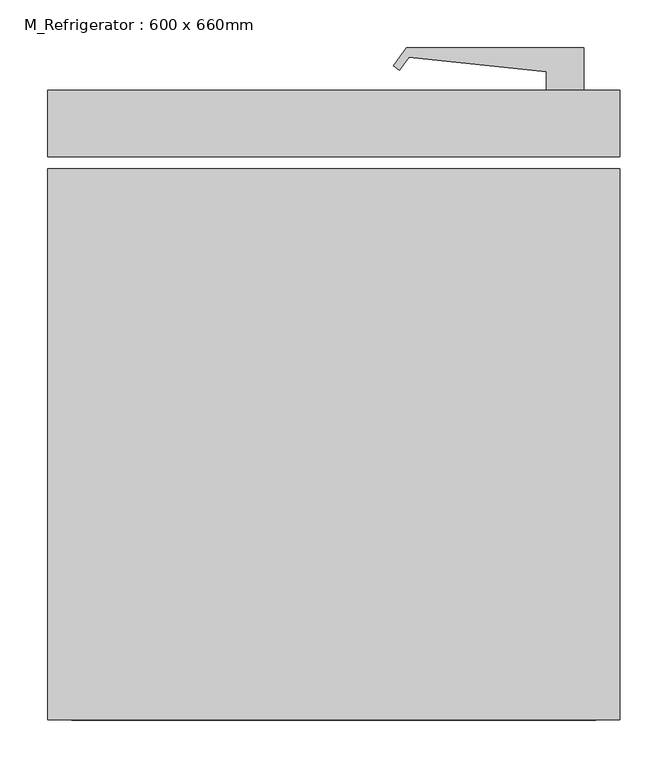
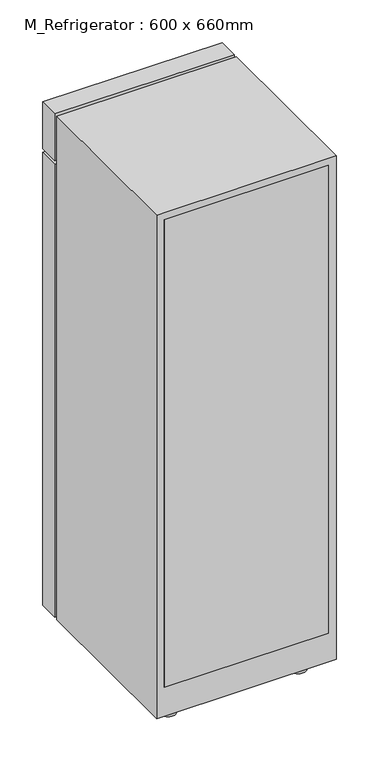
"""IFC4 building model written with IfcOpenShell, lengths in millimetres: proxy geometry, M_Refrigerator : 600 x 660mm."""

from ifc_helpers import new_model, si_unit, point, frame, frame_2d, origin, origin_with_axes, place, context, project, spatial, polyline, circle_curve, trimmed, segment, composite_curve, outline, extrude, source, transform, mapped, element, save


def m_refrigerator_600_x_660mm_0a899b9c(model_context):
    return source(origin(), model_context, "Body", "SweptSolid", [
        extrude(outline(polyline([(208.0988574, 408.1036861), (208.0988574, 363.7849098), (168.9242419, 363.7849098), (168.9242419, 383.0358618), (25.1756383, 398.2543926), (15.2273026, 384.7471068), (8.7240737, 389.5368406), (22.3988574, 408.1036861), (208.0988574, 408.1036861)])), frame((0.0, 0.0, 1071.927792), z_axis=(0.0, 0.0, 1.0), x_axis=(1.0, 0.0, 0.0)), (0.0, 0.0, 1.0), 31.75),
        extrude(outline(composite_curve([segment(trimmed(circle_curve(frame_2d((-271.2511426, -220.0150902)), 25.4), [point((-296.6511426, -220.0150902))], [point((-245.8511426, -220.0150902))], False, "CARTESIAN"), True, "CONTINUOUS"), segment(trimmed(circle_curve(frame_2d((-271.2511426, -220.0150902)), 25.4), [point((-245.8511426, -220.0150902))], [point((-296.6511426, -220.0150902))], False, "CARTESIAN"), True, "CONTINUOUS")], self_intersect=False)), origin_with_axes(), (0.0, 0.0, 1.0), 50.8),
        extrude(outline(composite_curve([segment(trimmed(circle_curve(frame_2d((163.6488574, -220.0150902)), 25.4), [point((138.2488574, -220.0150902))], [point((189.0488574, -220.0150902))], False, "CARTESIAN"), True, "CONTINUOUS"), segment(trimmed(circle_curve(frame_2d((163.6488574, -220.0150902)), 25.4), [point((189.0488574, -220.0150902))], [point((138.2488574, -220.0150902))], False, "CARTESIAN"), True, "CONTINUOUS")], self_intersect=False)), origin_with_axes(), (0.0, 0.0, 1.0), 50.8),
        extrude(outline(composite_curve([segment(trimmed(circle_curve(frame_2d((-271.2511426, 236.7849098)), 25.4), [point((-296.6511426, 236.7849098))], [point((-245.8511426, 236.7849098))], False, "CARTESIAN"), True, "CONTINUOUS"), segment(trimmed(circle_curve(frame_2d((-271.2511426, 236.7849098)), 25.4), [point((-245.8511426, 236.7849098))], [point((-296.6511426, 236.7849098))], False, "CARTESIAN"), True, "CONTINUOUS")], self_intersect=False)), origin_with_axes(), (0.0, 0.0, 1.0), 50.8),
        extrude(outline(composite_curve([segment(trimmed(circle_curve(frame_2d((163.6488574, 236.7849098)), 25.4), [point((138.2488574, 236.7849098))], [point((189.0488574, 236.7849098))], False, "CARTESIAN"), True, "CONTINUOUS"), segment(trimmed(circle_curve(frame_2d((163.6488574, 236.7849098)), 25.4), [point((189.0488574, 236.7849098))], [point((138.2488574, 236.7849098))], False, "CARTESIAN"), True, "CONTINUOUS")], self_intersect=False)), origin_with_axes(), (0.0, 0.0, 1.0), 50.8),
        extrude(outline(polyline([(246.1988574, 363.7849098), (246.1988574, 293.9349098), (-353.8011426, 293.9349098), (-353.8011426, 363.7849098), (246.1988574, 363.7849098)])), frame((0.0, 0.0, 50.8), z_axis=(0.0, 0.0, 1.0), x_axis=(1.0, 0.0, 0.0)), (0.0, 0.0, 1.0), 1601.4),
        extrude(outline(polyline([(246.1988574, 363.7849098), (246.1988574, 293.9349098), (-353.8011426, 293.9349098), (-353.8011426, 363.7849098), (246.1988574, 363.7849098)])), frame((0.0, 0.0, 1664.9), z_axis=(0.0, 0.0, 1.0), x_axis=(1.0, 0.0, 0.0)), (0.0, 0.0, 1.0), 165.1),
        extrude(outline(polyline([(220.7988574, -270.8150902), (220.7988574, -296.2150902), (-328.4011426, -296.2150902), (-328.4011426, -270.8150902), (220.7988574, -270.8150902)])), frame((0.0, 0.0, 152.4), z_axis=(0.0, 0.0, 1.0), x_axis=(1.0, 0.0, 0.0)), (0.0, 0.0, 1.0), 1652.2),
        extrude(outline(polyline([(1830.0, 246.1988574), (1830.0, -353.8011426), (50.8, -353.8011426), (50.8, 246.1988574), (1830.0, 246.1988574)]), holes=[polyline([(1626.8, 220.7988574), (431.8, 220.7988574), (431.8, -328.4011426), (1626.8, -328.4011426), (1626.8, 220.7988574)])]), frame((0.0, -296.2150902, 0.0), z_axis=(0.0, 1.0, 0.0), x_axis=(0.0, 0.0, 1.0)), (0.0, 0.0, 1.0), 577.45),
    ])


if __name__ == "__main__":
    model = new_model("IFC4")
    model_context = context("Model", 3, world=origin())
    ifc_project = project(units=[si_unit("LENGTHUNIT", "METRE", prefix="MILLI")], contexts=[model_context])
    site = spatial("IfcSite", under=ifc_project)
    building = spatial("IfcBuilding", under=site)
    placement = place(None, origin())
    m_refrigerator_600_x_660mm_shape = m_refrigerator_600_x_660mm_0a899b9c(model_context)
    element("IfcBuildingElementProxy", 1, Name="M_Refrigerator : 600 x 660mm", ObjectType="M_Refrigerator : 600 x 660mm", at=placement, inside=building, context=model_context, shape_type="MappedRepresentation", body=[
        mapped(m_refrigerator_600_x_660mm_shape, transform((0.0, 0.0, 0.0), x_axis=(1.0, 0.0, 0.0), y_axis=(0.0, 1.0, 0.0), z_axis=(0.0, 0.0, 1.0))),
    ])
    save(model, "model.ifc")
